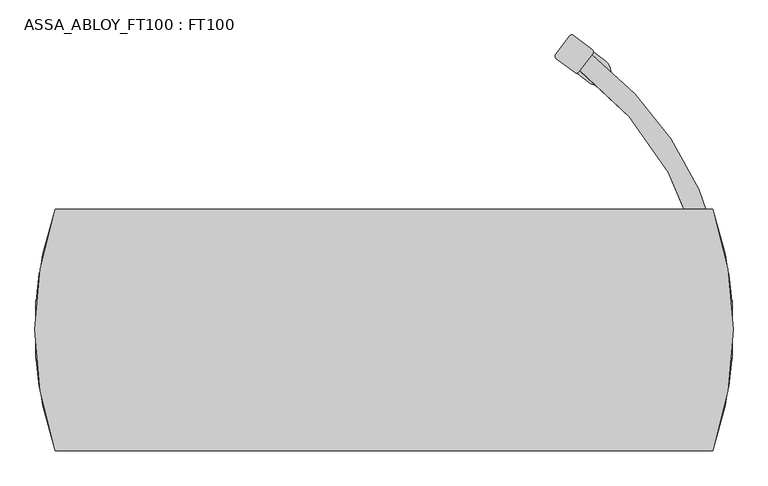
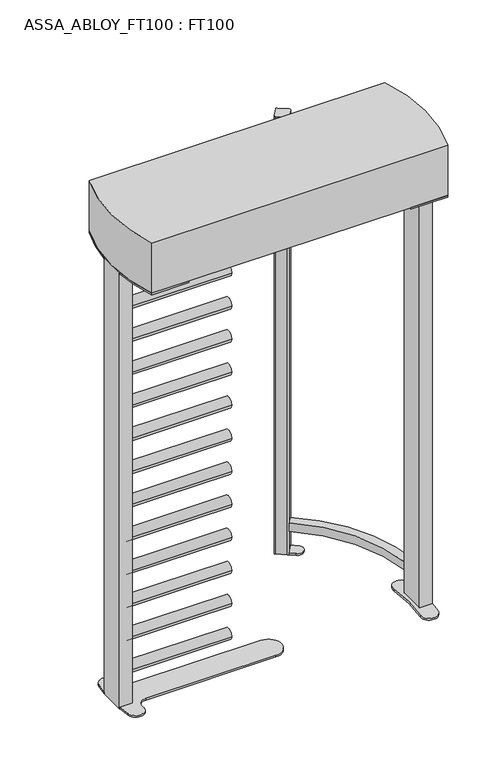
"""IFC4 building model written with IfcOpenShell, lengths in millimetres: proxy geometry, ASSA_ABLOY_FT100 : FT100."""

from ifc_helpers import new_model, si_unit, point, frame, frame_2d, origin, origin_with_axes, origin_2d, place, context, project, spatial, polyline, circle_curve, trimmed, segment, composite_curve, outline, extrude, source, transform, mapped, element, save


def assa_abloy_ft100_ft100_ea286b48(model_context):
    return source(origin(), model_context, "Body", "SweptSolid", [
        extrude(outline(composite_curve([segment(polyline([(405.4696607, 537.1005768), (429.5701301, 569.0249778)]), True, "CONTINUOUS"), segment(trimmed(circle_curve(origin_2d(), 712.9655826), [point((429.5701301, 569.0249778))], [point((710.4364306, 60.0))], False, "CARTESIAN"), True, "CONTINUOUS"), segment(polyline([(710.4364306, 60.0), (670.2855178, 60.0)]), True, "CONTINUOUS"), segment(trimmed(circle_curve(origin_2d(), 672.9655826), [point((670.2855178, 60.0))], [point((405.4696607, 537.1005768))], True, "CARTESIAN"), True, "CONTINUOUS")], self_intersect=False)), frame((0.0, 0.0, 108.5), z_axis=(0.0, 0.0, 1.0), x_axis=(1.0, 0.0, 0.0)), (0.0, 0.0, 1.0), 40.0),
        extrude(outline(composite_curve([segment(polyline([(405.4696607, 537.1005768), (429.5701301, 569.0249778)]), True, "CONTINUOUS"), segment(trimmed(circle_curve(origin_2d(), 712.9655826), [point((429.5701301, 569.0249778))], [point((710.4364306, 60.0))], False, "CARTESIAN"), True, "CONTINUOUS"), segment(polyline([(710.4364306, 60.0), (670.2855178, 60.0)]), True, "CONTINUOUS"), segment(trimmed(circle_curve(origin_2d(), 672.9655826), [point((670.2855178, 60.0))], [point((405.4696607, 537.1005768))], True, "CARTESIAN"), True, "CONTINUOUS")], self_intersect=False)), frame((0.0, 0.0, 2077.0), z_axis=(0.0, 0.0, 1.0), x_axis=(1.0, 0.0, 0.0)), (0.0, 0.0, 1.0), 40.0),
        extrude(outline(composite_curve([segment(polyline([(392.7962915, 609.2338283), (430.447829, 580.809811)]), True, "CONTINUOUS"), segment(trimmed(circle_curve(frame_2d((426.5917539, 575.7019068)), 6.4), [point((430.447829, 580.809811))], [point((431.699658, 571.8458317))], False, "CARTESIAN"), True, "CONTINUOUS"), segment(polyline([(431.699658, 571.8458317), (403.2611041, 534.1750386)]), True, "CONTINUOUS"), segment(trimmed(circle_curve(frame_2d((398.1532, 538.0311137)), 6.4), [point((403.2611041, 534.1750386))], [point((394.2971249, 532.9232096))], False, "CARTESIAN"), True, "CONTINUOUS"), segment(polyline([(394.2971249, 532.9232096), (356.6455874, 561.3472269)]), True, "CONTINUOUS"), segment(trimmed(circle_curve(frame_2d((360.5016625, 566.4551311)), 6.4), [point((356.6455874, 561.3472269))], [point((355.3937584, 570.3112062))], False, "CARTESIAN"), True, "CONTINUOUS"), segment(polyline([(355.3937584, 570.3112062), (383.8323123, 607.9819993)]), True, "CONTINUOUS"), segment(trimmed(circle_curve(frame_2d((388.9402164, 604.1259242)), 6.4), [point((383.8323123, 607.9819993))], [point((392.7962915, 609.2338283))], False, "CARTESIAN"), True, "CONTINUOUS")], self_intersect=False)), origin_with_axes(), (0.0, 0.0, 1.0), 2130.0),
        extrude(outline(composite_curve([segment(polyline([(400.5705382, 530.6110124), (434.3111954, 575.3051737)]), True, "CONTINUOUS"), segment(trimmed(circle_curve(frame_2d((-41.8928366, -55.4928491)), 790.3647421), [point((434.3111954, 575.3051737))], [point((458.7650328, 556.0773623))], False, "CARTESIAN"), True, "CONTINUOUS"), segment(trimmed(circle_curve(frame_2d((441.0283859, 534.4114592)), 28.0), [point((458.7650328, 556.0773623))], [point((423.2917391, 512.7455561))], False, "CARTESIAN"), True, "CONTINUOUS"), segment(trimmed(circle_curve(frame_2d((-41.8928366, -55.4928491)), 734.3647421), [point((423.2917391, 512.7455561))], [point((400.5705382, 530.6110124))], True, "CARTESIAN"), True, "CONTINUOUS")], self_intersect=False)), origin_with_axes(), (0.0, 0.0, 1.0), 8.0),
        extrude(outline(polyline([(-720.5, 60.0), (-660.5, 60.0), (-660.5, -60.0), (-720.5, -60.0), (-720.5, 60.0)])), origin_with_axes(), (0.0, 0.0, 1.0), 2125.0),
        extrude(outline(composite_curve([segment(polyline([(-660.5, 60.0), (-720.0173279, 60.0)]), True, "CONTINUOUS"), segment(trimmed(circle_curve(frame_2d((-308.1697725, 40.0548858)), 412.3302275), [point((-720.0173279, 60.0))], [point((-713.1679317, 117.4674657))], False, "CARTESIAN"), True, "CONTINUOUS"), segment(trimmed(circle_curve(frame_2d((-675.4962379, 110.0240943)), 38.4000039), [point((-713.1679317, 117.4674657))], [point((-637.557831, 104.0879695))], False, "CARTESIAN"), True, "CONTINUOUS"), segment(trimmed(circle_curve(frame_2d((-599.8317737, 98.1850705)), 38.1850705), [point((-637.557831, 104.0879695))], [point((-599.8317737, 60.0))], True, "CARTESIAN"), True, "CONTINUOUS"), segment(polyline([(-599.8317737, 60.0), (0.0, 60.0)]), True, "CONTINUOUS"), segment(trimmed(circle_curve(origin_2d(), 60.0), [point((0.0, 60.0))], [point((0.0, -60.0))], False, "CARTESIAN"), True, "CONTINUOUS"), segment(polyline([(0.0, -60.0), (-599.8317737, -60.0)]), True, "CONTINUOUS"), segment(trimmed(circle_curve(frame_2d((-599.8317737, -98.1850705)), 38.1850705), [point((-599.8317737, -60.0))], [point((-637.5597086, -104.0759565))], True, "CARTESIAN"), True, "CONTINUOUS"), segment(trimmed(circle_curve(frame_2d((-675.5, -110.0)), 38.4), [point((-637.5597086, -104.0759565))], [point((-713.2222265, -117.1828705))], False, "CARTESIAN"), True, "CONTINUOUS"), segment(trimmed(circle_curve(frame_2d((-308.1697725, -40.0548858)), 412.3302275), [point((-713.2222265, -117.1828705))], [point((-720.0173279, -60.0))], False, "CARTESIAN"), True, "CONTINUOUS"), segment(polyline([(-720.0173279, -60.0), (-660.5, -60.0), (-660.5, 60.0)]), True, "CONTINUOUS")], self_intersect=False)), origin_with_axes(), (0.0, 0.0, 1.0), 8.0),
        extrude(outline(composite_curve([segment(trimmed(circle_curve(frame_2d((0.0, 143.0)), 25.5), [point((-25.5, 143.0))], [point((25.5, 143.0))], False, "CARTESIAN"), True, "CONTINUOUS"), segment(trimmed(circle_curve(frame_2d((0.0, 143.0)), 25.5), [point((25.5, 143.0))], [point((-25.5, 143.0))], False, "CARTESIAN"), True, "CONTINUOUS")], self_intersect=False)), frame((-660.5, 0.0, 0.0), z_axis=(1.0, 0.0, 0.0), x_axis=(0.0, 1.0, 0.0)), (0.0, 0.0, 1.0), 476.3),
        extrude(outline(composite_curve([segment(trimmed(circle_curve(frame_2d((0.0, 304.0)), 25.5), [point((-25.5, 304.0))], [point((25.5, 304.0))], False, "CARTESIAN"), True, "CONTINUOUS"), segment(trimmed(circle_curve(frame_2d((0.0, 304.0)), 25.5), [point((25.5, 304.0))], [point((-25.5, 304.0))], False, "CARTESIAN"), True, "CONTINUOUS")], self_intersect=False)), frame((-660.5, 0.0, 0.0), z_axis=(1.0, 0.0, 0.0), x_axis=(0.0, 1.0, 0.0)), (0.0, 0.0, 1.0), 476.3),
        extrude(outline(composite_curve([segment(trimmed(circle_curve(frame_2d((0.0, 465.0)), 25.5), [point((-25.5, 465.0))], [point((25.5, 465.0))], False, "CARTESIAN"), True, "CONTINUOUS"), segment(trimmed(circle_curve(frame_2d((0.0, 465.0)), 25.5), [point((25.5, 465.0))], [point((-25.5, 465.0))], False, "CARTESIAN"), True, "CONTINUOUS")], self_intersect=False)), frame((-660.5, 0.0, 0.0), z_axis=(1.0, 0.0, 0.0), x_axis=(0.0, 1.0, 0.0)), (0.0, 0.0, 1.0), 476.3),
        extrude(outline(composite_curve([segment(trimmed(circle_curve(frame_2d((0.0, 626.0)), 25.5), [point((-25.5, 626.0))], [point((25.5, 626.0))], False, "CARTESIAN"), True, "CONTINUOUS"), segment(trimmed(circle_curve(frame_2d((0.0, 626.0)), 25.5), [point((25.5, 626.0))], [point((-25.5, 626.0))], False, "CARTESIAN"), True, "CONTINUOUS")], self_intersect=False)), frame((-660.5, 0.0, 0.0), z_axis=(1.0, 0.0, 0.0), x_axis=(0.0, 1.0, 0.0)), (0.0, 0.0, 1.0), 476.3),
        extrude(outline(composite_curve([segment(trimmed(circle_curve(frame_2d((0.0, 787.0)), 25.5), [point((-25.5, 787.0))], [point((25.5, 787.0))], False, "CARTESIAN"), True, "CONTINUOUS"), segment(trimmed(circle_curve(frame_2d((0.0, 787.0)), 25.5), [point((25.5, 787.0))], [point((-25.5, 787.0))], False, "CARTESIAN"), True, "CONTINUOUS")], self_intersect=False)), frame((-660.5, 0.0, 0.0), z_axis=(1.0, 0.0, 0.0), x_axis=(0.0, 1.0, 0.0)), (0.0, 0.0, 1.0), 476.3),
        extrude(outline(composite_curve([segment(trimmed(circle_curve(frame_2d((0.0, 948.0)), 25.5), [point((-25.5, 948.0))], [point((25.5, 948.0))], False, "CARTESIAN"), True, "CONTINUOUS"), segment(trimmed(circle_curve(frame_2d((0.0, 948.0)), 25.5), [point((25.5, 948.0))], [point((-25.5, 948.0))], False, "CARTESIAN"), True, "CONTINUOUS")], self_intersect=False)), frame((-660.5, 0.0, 0.0), z_axis=(1.0, 0.0, 0.0), x_axis=(0.0, 1.0, 0.0)), (0.0, 0.0, 1.0), 476.3),
        extrude(outline(composite_curve([segment(trimmed(circle_curve(frame_2d((0.0, 1109.0)), 25.5), [point((-25.5, 1109.0))], [point((25.5, 1109.0))], False, "CARTESIAN"), True, "CONTINUOUS"), segment(trimmed(circle_curve(frame_2d((0.0, 1109.0)), 25.5), [point((25.5, 1109.0))], [point((-25.5, 1109.0))], False, "CARTESIAN"), True, "CONTINUOUS")], self_intersect=False)), frame((-660.5, 0.0, 0.0), z_axis=(1.0, 0.0, 0.0), x_axis=(0.0, 1.0, 0.0)), (0.0, 0.0, 1.0), 476.3),
        extrude(outline(composite_curve([segment(trimmed(circle_curve(frame_2d((0.0, 1270.0)), 25.5), [point((-25.5, 1270.0))], [point((25.5, 1270.0))], False, "CARTESIAN"), True, "CONTINUOUS"), segment(trimmed(circle_curve(frame_2d((0.0, 1270.0)), 25.5), [point((25.5, 1270.0))], [point((-25.5, 1270.0))], False, "CARTESIAN"), True, "CONTINUOUS")], self_intersect=False)), frame((-660.5, 0.0, 0.0), z_axis=(1.0, 0.0, 0.0), x_axis=(0.0, 1.0, 0.0)), (0.0, 0.0, 1.0), 476.3),
        extrude(outline(composite_curve([segment(trimmed(circle_curve(frame_2d((0.0, 1431.0)), 25.5), [point((-25.5, 1431.0))], [point((25.5, 1431.0))], False, "CARTESIAN"), True, "CONTINUOUS"), segment(trimmed(circle_curve(frame_2d((0.0, 1431.0)), 25.5), [point((25.5, 1431.0))], [point((-25.5, 1431.0))], False, "CARTESIAN"), True, "CONTINUOUS")], self_intersect=False)), frame((-660.5, 0.0, 0.0), z_axis=(1.0, 0.0, 0.0), x_axis=(0.0, 1.0, 0.0)), (0.0, 0.0, 1.0), 476.3),
        extrude(outline(composite_curve([segment(trimmed(circle_curve(frame_2d((0.0, 1592.0)), 25.5), [point((-25.5, 1592.0))], [point((25.5, 1592.0))], False, "CARTESIAN"), True, "CONTINUOUS"), segment(trimmed(circle_curve(frame_2d((0.0, 1592.0)), 25.5), [point((25.5, 1592.0))], [point((-25.5, 1592.0))], False, "CARTESIAN"), True, "CONTINUOUS")], self_intersect=False)), frame((-660.5, 0.0, 0.0), z_axis=(1.0, 0.0, 0.0), x_axis=(0.0, 1.0, 0.0)), (0.0, 0.0, 1.0), 476.3),
        extrude(outline(composite_curve([segment(trimmed(circle_curve(frame_2d((0.0, 1753.0)), 25.5), [point((-25.5, 1753.0))], [point((25.5, 1753.0))], False, "CARTESIAN"), True, "CONTINUOUS"), segment(trimmed(circle_curve(frame_2d((0.0, 1753.0)), 25.5), [point((25.5, 1753.0))], [point((-25.5, 1753.0))], False, "CARTESIAN"), True, "CONTINUOUS")], self_intersect=False)), frame((-660.5, 0.0, 0.0), z_axis=(1.0, 0.0, 0.0), x_axis=(0.0, 1.0, 0.0)), (0.0, 0.0, 1.0), 476.3),
        extrude(outline(composite_curve([segment(trimmed(circle_curve(frame_2d((0.0, 1914.0)), 25.5), [point((-25.5, 1914.0))], [point((25.5, 1914.0))], False, "CARTESIAN"), True, "CONTINUOUS"), segment(trimmed(circle_curve(frame_2d((0.0, 1914.0)), 25.5), [point((25.5, 1914.0))], [point((-25.5, 1914.0))], False, "CARTESIAN"), True, "CONTINUOUS")], self_intersect=False)), frame((-660.5, 0.0, 0.0), z_axis=(1.0, 0.0, 0.0), x_axis=(0.0, 1.0, 0.0)), (0.0, 0.0, 1.0), 476.3),
        extrude(outline(composite_curve([segment(trimmed(circle_curve(frame_2d((0.0, 2075.0)), 25.5), [point((-25.5, 2075.0))], [point((25.5, 2075.0))], False, "CARTESIAN"), True, "CONTINUOUS"), segment(trimmed(circle_curve(frame_2d((0.0, 2075.0)), 25.5), [point((25.5, 2075.0))], [point((-25.5, 2075.0))], False, "CARTESIAN"), True, "CONTINUOUS")], self_intersect=False)), frame((-660.5, 0.0, 0.0), z_axis=(1.0, 0.0, 0.0), x_axis=(0.0, 1.0, 0.0)), (0.0, 0.0, 1.0), 476.3),
        extrude(outline(composite_curve([segment(polyline([(-511.1, 249.999079), (-511.1, -249.999079), (-680.4571641, -249.999079)]), True, "CONTINUOUS"), segment(trimmed(circle_curve(frame_2d((41.8, -0.000921)), 764.3), [point((-680.4571641, -249.999079))], [point((-720.1413367, -60.0))], False, "CARTESIAN"), True, "CONTINUOUS"), segment(polyline([(-720.1413367, -60.0), (-660.5260248, -60.0), (-660.5260248, 60.0), (-720.1411916, 60.0)]), True, "CONTINUOUS"), segment(trimmed(circle_curve(frame_2d((41.8, -0.000921)), 764.3), [point((-720.1411916, 60.0))], [point((-680.4565265, 249.999079))], False, "CARTESIAN"), True, "CONTINUOUS"), segment(polyline([(-680.4565265, 249.999079), (-511.1, 249.999079)]), True, "CONTINUOUS")], self_intersect=False)), frame((0.0, 0.0, 2117.0), z_axis=(0.0, 0.0, 1.0), x_axis=(1.0, 0.0, 0.0)), (0.0, 0.0, 1.0), 8.0),
        extrude(outline(composite_curve([segment(polyline([(511.1, 249.999079), (680.4565269, 249.999079)]), True, "CONTINUOUS"), segment(trimmed(circle_curve(frame_2d((-41.8, 0.1034443)), 764.2658692), [point((680.4565269, 249.999079))], [point((720.1151668, 60.0))], False, "CARTESIAN"), True, "CONTINUOUS"), segment(polyline([(720.1151668, 60.0), (660.5, 60.0), (660.5, -60.0), (720.167361, -60.0)]), True, "CONTINUOUS"), segment(trimmed(circle_curve(frame_2d((-41.8, 0.1034443)), 764.3341437), [point((720.167361, -60.0))], [point((680.4571641, -249.999079))], False, "CARTESIAN"), True, "CONTINUOUS"), segment(polyline([(680.4571641, -249.999079), (511.1, -249.999079), (511.1, 249.999079)]), True, "CONTINUOUS")], self_intersect=False)), frame((0.0, 0.0, 2117.0), z_axis=(0.0, 0.0, 1.0), x_axis=(1.0, 0.0, 0.0)), (0.0, 0.0, 1.0), 8.0),
        extrude(outline(composite_curve([segment(trimmed(circle_curve(frame_2d((-41.8, -0.000921)), 764.3), [point((680.4565265, 249.999079))], [point((680.4571641, -249.999079))], False, "CARTESIAN"), True, "CONTINUOUS"), segment(polyline([(680.4571641, -249.999079), (-680.4571641, -249.999079)]), True, "CONTINUOUS"), segment(trimmed(circle_curve(frame_2d((41.8, -0.000921)), 764.3), [point((-680.4571641, -249.999079))], [point((-680.4565265, 249.999079))], False, "CARTESIAN"), True, "CONTINUOUS"), segment(polyline([(-680.4565265, 249.999079), (680.4565265, 249.999079)]), True, "CONTINUOUS")], self_intersect=False)), frame((0.0, 0.0, 2125.0), z_axis=(0.0, 0.0, 1.0), x_axis=(1.0, 0.0, 0.0)), (0.0, 0.0, 1.0), 245.0),
        extrude(outline(composite_curve([segment(polyline([(660.5, 60.0), (660.5, -60.0), (720.2316667, -60.0)]), True, "CONTINUOUS"), segment(trimmed(circle_curve(frame_2d((-29.3714119, 0.0)), 752.0005156), [point((720.2316667, -60.0))], [point((713.6410351, -115.9192782))], False, "CARTESIAN"), True, "CONTINUOUS"), segment(trimmed(circle_curve(frame_2d((675.7, -110.0)), 38.4), [point((713.6410351, -115.9192782))], [point((637.7118538, -104.391012))], False, "CARTESIAN"), True, "CONTINUOUS"), segment(trimmed(circle_curve(frame_2d((-69.3, 0.0)), 714.6770213), [point((637.7118538, -104.391012))], [point((637.7118538, 104.391012))], True, "CARTESIAN"), True, "CONTINUOUS"), segment(trimmed(circle_curve(frame_2d((675.7, 110.0)), 38.4), [point((637.7118538, 104.391012))], [point((713.6410351, 115.9192782))], False, "CARTESIAN"), True, "CONTINUOUS"), segment(trimmed(circle_curve(frame_2d((-29.3714119, 0.0)), 752.0005156), [point((713.6410351, 115.9192782))], [point((720.2316667, 60.0))], False, "CARTESIAN"), True, "CONTINUOUS"), segment(polyline([(720.2316667, 60.0), (660.5, 60.0)]), True, "CONTINUOUS")], self_intersect=False)), origin_with_axes(), (0.0, 0.0, 1.0), 8.0),
        extrude(outline(polyline([(720.5, 60.0), (720.5, -60.0), (660.5, -60.0), (660.5, 60.0), (720.5, 60.0)])), origin_with_axes(), (0.0, 0.0, 1.0), 2125.0),
    ])


if __name__ == "__main__":
    model = new_model("IFC4")
    model_context = context("Model", 3, world=origin())
    ifc_project = project(units=[si_unit("LENGTHUNIT", "METRE", prefix="MILLI")], contexts=[model_context])
    site = spatial("IfcSite", under=ifc_project)
    building = spatial("IfcBuilding", under=site)
    placement = place(None, origin())
    assa_abloy_ft100_ft100_shape = assa_abloy_ft100_ft100_ea286b48(model_context)
    element("IfcBuildingElementProxy", 1, Name="ASSA_ABLOY_FT100 : FT100", ObjectType="ASSA_ABLOY_FT100 : FT100", at=placement, inside=building, context=model_context, shape_type="MappedRepresentation", body=[
        mapped(assa_abloy_ft100_ft100_shape, transform((0.0, 0.0, 0.0), x_axis=(1.0, 0.0, 0.0), y_axis=(0.0, 1.0, 0.0), z_axis=(0.0, 0.0, 1.0))),
    ])
    save(model, "model.ifc")
